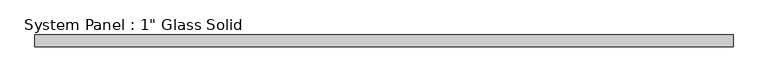
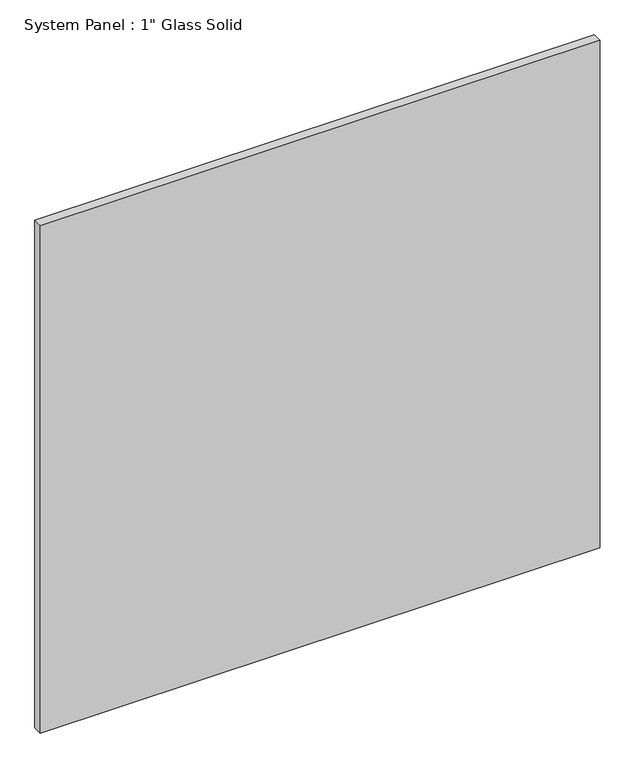
"""IFC4 building model written with IfcOpenShell, lengths in millimetres: plate geometry."""

import ifcopenshell
import ifcopenshell.guid

model = None  # the IFC model being written
_history = None  # IfcOwnerHistory: only IFC2X3 demands one
_inside = {}  # id of a spatial element -> (the spatial element, [elements in it])
_under = {}  # id of a project, library or spatial element -> (it, [spatial elements below it])
_declared = {}  # id of a project -> (the project, [libraries it declares])
_typed = {}  # id of a type object -> (the type object, [elements of that type])
_made_of = {}  # id of a material, layer set ... -> (it, [elements and type objects made of it])


def new_model(schema):
    """Start an empty IFC model of exactly this schema.

    Asked for "IFC4X3", IfcOpenShell would pick the latest addendum, in which some entities
    have other attributes; the version numbers below select the first issue.
    IFC2X3 requires an IfcOwnerHistory on every rooted entity: one is made here for all.
    """
    global model, _history
    if schema == "IFC4X3":
        model = ifcopenshell.file(schema_version=(4, 3, 0, 0))
    else:
        model = ifcopenshell.file(schema=schema)
    _inside.clear()
    _under.clear()
    _declared.clear()
    _typed.clear()
    _made_of.clear()
    _history = None
    if model.schema == "IFC2X3":
        org = make("IfcOrganization", Name="unknown")
        user = make(
            "IfcPersonAndOrganization",
            ThePerson=make("IfcPerson", FamilyName="unknown"),
            TheOrganization=org,
        )
        app = make(
            "IfcApplication",
            ApplicationDeveloper=org,
            Version="unknown",
            ApplicationFullName="unknown",
            ApplicationIdentifier="unknown",
        )
        _history = make(
            "IfcOwnerHistory",
            OwningUser=user,
            OwningApplication=app,
            ChangeAction="ADDED",
            CreationDate=0,
        )
    return model


def make(cls, **values):
    """One entity of the class cls with the attributes given. An attribute that is None is left unset."""
    return model.create_entity(
        cls, **{name: value for name, value in values.items() if value is not None}
    )


def rooted(cls, **values):
    """An entity with a GlobalId (a new one), such as an element, a storey or a relation."""
    return make(cls, GlobalId=ifcopenshell.guid.new(), OwnerHistory=_history, **values)


def si_unit(unit_type, name, prefix=None):
    """IfcSIUnit, for example si_unit("LENGTHUNIT", "METRE", prefix="MILLI")."""
    return make("IfcSIUnit", UnitType=unit_type, Prefix=prefix, Name=name)


def assignment(units):
    """IfcUnitAssignment: the units of a project."""
    return None if units is None else make("IfcUnitAssignment", Units=units)


def point(xyz):
    """IfcCartesianPoint."""
    return None if xyz is None else make("IfcCartesianPoint", Coordinates=xyz)


def direction(xyz):
    """IfcDirection."""
    return None if xyz is None else make("IfcDirection", DirectionRatios=xyz)


def frame(location, z_axis=None, x_axis=None):
    """IfcAxis2Placement3D, a coordinate frame: its origin and axes. An axis left out is left unset."""
    return make(
        "IfcAxis2Placement3D",
        Location=point(location),
        Axis=direction(z_axis),
        RefDirection=direction(x_axis),
    )


def origin():
    """The frame at (0, 0, 0) with its axes left unset."""
    return frame((0.0, 0.0, 0.0))


def origin_with_axes():
    """The frame at (0, 0, 0) with the z axis (0, 0, 1) and the x axis (1, 0, 0) written out."""
    return frame((0.0, 0.0, 0.0), z_axis=(0.0, 0.0, 1.0), x_axis=(1.0, 0.0, 0.0))


def place(relative_to, where):
    """IfcLocalPlacement: puts the frame where relative to a parent placement (None: the world)."""
    return make(
        "IfcLocalPlacement", PlacementRelTo=relative_to, RelativePlacement=where
    )


def context(
    kind, dimensions, precision=None, world=None, true_north=None, identifier=None
):
    """IfcGeometricRepresentationContext, for example the 3D "Model" context."""
    return make(
        "IfcGeometricRepresentationContext",
        ContextIdentifier=identifier,
        ContextType=kind,
        CoordinateSpaceDimension=dimensions,
        Precision=precision,
        WorldCoordinateSystem=world,
        TrueNorth=true_north,
    )


def project(units=None, contexts=None):
    """IfcProject with its units and contexts."""
    return rooted(
        "IfcProject",
        Name="project",
        RepresentationContexts=contexts,
        UnitsInContext=assignment(units),
    )


def spatial(cls, under=None, at=None, **own):
    """A site, building, storey or space (cls), placed at a placement, below another one or the project."""
    s = rooted(cls, ObjectPlacement=at, **own)
    if under is not None:
        _under.setdefault(under.id(), (under, []))[1].append(s)
    return s


def polyline(points):
    """IfcPolyline through the points."""
    return make("IfcPolyline", Points=[point(p) for p in points])


def outline(outer, holes=None, kind="AREA"):
    """IfcArbitraryClosedProfileDef: a profile drawn as a closed curve; with holes, ...WithVoids."""
    if holes is None:
        return make("IfcArbitraryClosedProfileDef", ProfileType=kind, OuterCurve=outer)
    return make(
        "IfcArbitraryProfileDefWithVoids",
        ProfileType=kind,
        OuterCurve=outer,
        InnerCurves=holes,
    )


def extrude(swept, where, along, depth):
    """IfcExtrudedAreaSolid: the profile swept, set in the frame where, extruded along a direction by depth."""
    return make(
        "IfcExtrudedAreaSolid",
        SweptArea=swept,
        Position=where,
        ExtrudedDirection=direction(along),
        Depth=depth,
    )


def shape(context_of_items, identifier, shape_type, items):
    """IfcShapeRepresentation: the items that make up one representation, for example the "Body"."""
    return make(
        "IfcShapeRepresentation",
        ContextOfItems=context_of_items,
        RepresentationIdentifier=identifier,
        RepresentationType=shape_type,
        Items=items,
    )


def source(mapping_origin, context_of_items, identifier, shape_type, items):
    """IfcRepresentationMap: a shape defined once, which mapped items show again and again."""
    return make(
        "IfcRepresentationMap",
        MappingOrigin=mapping_origin,
        MappedRepresentation=shape(context_of_items, identifier, shape_type, items),
    )


def transform(
    local_origin,
    x_axis=None,
    y_axis=None,
    z_axis=None,
    scale=None,
    scale2=None,
    scale3=None,
    uniform=True,
):
    """IfcCartesianTransformationOperator3D, or its non-uniform kind. x_axis, y_axis, z_axis: its Axis1, 2, 3."""
    if uniform:
        return make(
            "IfcCartesianTransformationOperator3D",
            Axis1=direction(x_axis),
            Axis2=direction(y_axis),
            LocalOrigin=point(local_origin),
            Scale=scale,
            Axis3=direction(z_axis),
        )
    return make(
        "IfcCartesianTransformationOperator3DnonUniform",
        Axis1=direction(x_axis),
        Axis2=direction(y_axis),
        LocalOrigin=point(local_origin),
        Scale=scale,
        Axis3=direction(z_axis),
        Scale2=scale2,
        Scale3=scale3,
    )


def mapped(mapping_source, mapping_target):
    """IfcMappedItem: shows the shape of a source again, moved by a transform."""
    return make(
        "IfcMappedItem", MappingSource=mapping_source, MappingTarget=mapping_target
    )


def made_of(thing, what):
    """Note that an element or type object is made of a material, layer set ...; save() writes the relation."""
    if what is not None:
        _made_of.setdefault(what.id(), (what, []))[1].append(thing)
    return thing


def element(
    cls,
    number,
    at=None,
    inside=None,
    cuts=None,
    type_object=None,
    material=None,
    context=None,
    identifier="Body",
    shape_type=None,
    held_by="IfcProductDefinitionShape",
    body=None,
    shapes=None,
    **own,
):
    """One element of the class cls, such as IfcWall. Its Tag is "e" and its number.

    at: its placement. inside: the storey or other place that contains it. cuts: it is an
    opening in that element (IfcRelVoidsElement). A single representation is given by context,
    identifier, shape_type and body (its items); several are given by shapes. held_by: the class
    of the entity that holds the representations. save() writes the other relations.
    """
    e = rooted(cls, Tag="e%d" % number, ObjectPlacement=at, **own)
    if body is not None:
        shapes = [shape(context, identifier, shape_type, body)]
    if shapes is not None:
        e.Representation = make(held_by, Representations=shapes)
    if inside is not None:
        _inside.setdefault(inside.id(), (inside, []))[1].append(e)
    if cuts is not None:
        rooted(
            "IfcRelVoidsElement", RelatingBuildingElement=cuts, RelatedOpeningElement=e
        )
    if type_object is not None:
        _typed.setdefault(type_object.id(), (type_object, []))[1].append(e)
    return made_of(e, material)


def aggregate(whole, parts):
    """IfcRelAggregates: a whole, such as a stair, and the parts it consists of."""
    return rooted("IfcRelAggregates", RelatingObject=whole, RelatedObjects=parts)


def save(model, path):
    """Write the relations noted so far, then the file.

    IfcRelAggregates (storeys below a building ...), IfcRelContainedInSpatialStructure (elements
    in a storey), IfcRelDefinesByType, IfcRelAssociatesMaterial and IfcRelDeclares: one each for
    every whole, place, type object, material and project.
    """
    for whole, parts in _under.values():
        aggregate(whole, parts)
    for where, things in _inside.values():
        rooted(
            "IfcRelContainedInSpatialStructure",
            RelatedElements=things,
            RelatingStructure=where,
        )
    for kind, things in _typed.values():
        rooted("IfcRelDefinesByType", RelatedObjects=things, RelatingType=kind)
    for what, things in _made_of.values():
        rooted("IfcRelAssociatesMaterial", RelatedObjects=things, RelatingMaterial=what)
    for by, libraries in _declared.values():
        rooted("IfcRelDeclares", RelatingContext=by, RelatedDefinitions=libraries)
    model.write(path)


def plate_9e4fd607(model_context):
    return source(origin(), model_context, "Body", "SweptSolid", [
        extrude(outline(polyline([(737.6592185, -12.7), (-737.6592185, -12.7), (-737.6592185, 12.7), (737.6592185, 12.7), (737.6592185, -12.7)])), origin_with_axes(), (0.0, 0.0, 1.0), 1412.7661731),
    ])


if __name__ == "__main__":
    model = new_model("IFC4")
    model_context = context("Model", 3, world=origin())
    ifc_project = project(units=[si_unit("LENGTHUNIT", "METRE", prefix="MILLI")], contexts=[model_context])
    site = spatial("IfcSite", under=ifc_project)
    building = spatial("IfcBuilding", under=site)
    placement = place(None, origin())
    plate_shape = plate_9e4fd607(model_context)
    element("IfcPlate", 1, ObjectType="System Panel : 1\" Glass Solid", at=placement, inside=building, context=model_context, shape_type="MappedRepresentation", body=[
        mapped(plate_shape, transform((0.0, 0.0, 0.0), x_axis=(1.0, 0.0, 0.0), y_axis=(0.0, 1.0, 0.0), z_axis=(0.0, 0.0, 1.0))),
    ])
    save(model, "model.ifc")
